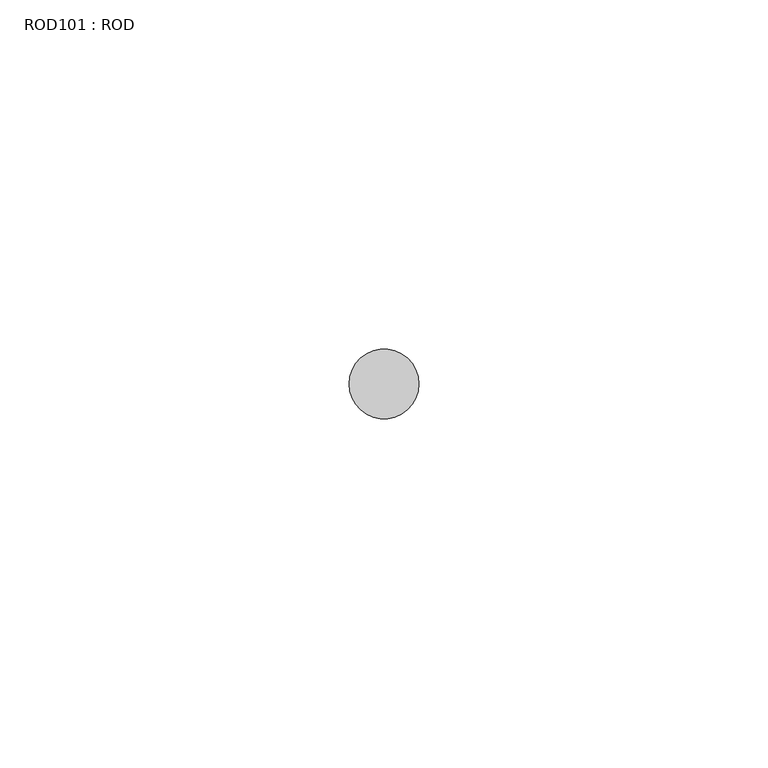
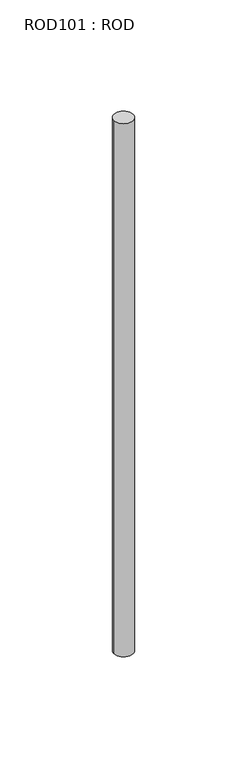
"""IFC4 building model written with IfcOpenShell, lengths in millimetres: proxy geometry, ROD101 : ROD."""

from ifc_helpers import new_model, si_unit, point, frame, frame_2d, origin, place, context, project, spatial, circle_curve, trimmed, segment, composite_curve, outline, extrude, source, transform, mapped, element, save


def rod101_rod_bfc402b8(model_context):
    return source(origin(), model_context, "Body", "SweptSolid", [
        extrude(outline(composite_curve([segment(trimmed(circle_curve(frame_2d((-1447.2215616, -12414.6300853)), 5.0), [point((-1452.2215616, -12414.6300853))], [point((-1442.2215616, -12414.6300853))], False, "CARTESIAN"), True, "CONTINUOUS"), segment(trimmed(circle_curve(frame_2d((-1447.2215616, -12414.6300853)), 5.0), [point((-1442.2215616, -12414.6300853))], [point((-1452.2215616, -12414.6300853))], False, "CARTESIAN"), True, "CONTINUOUS")], self_intersect=False)), frame((0.0, 0.0, -208.6608845), z_axis=(0.0, 0.0, 1.0), x_axis=(1.0, 0.0, 0.0)), (0.0, 0.0, 1.0), 298.9028972),
    ])


if __name__ == "__main__":
    model = new_model("IFC4")
    model_context = context("Model", 3, world=origin())
    ifc_project = project(units=[si_unit("LENGTHUNIT", "METRE", prefix="MILLI")], contexts=[model_context])
    site = spatial("IfcSite", under=ifc_project)
    building = spatial("IfcBuilding", under=site)
    placement = place(None, origin())
    rod101_rod_shape = rod101_rod_bfc402b8(model_context)
    element("IfcBuildingElementProxy", 1, Name="ROD101 : ROD", ObjectType="ROD101 : ROD", at=placement, inside=building, context=model_context, shape_type="MappedRepresentation", body=[
        mapped(rod101_rod_shape, transform((0.0, 0.0, 0.0), x_axis=(1.0, 0.0, 0.0), y_axis=(0.0, 1.0, 0.0), z_axis=(0.0, 0.0, 1.0))),
    ])
    save(model, "model.ifc")
